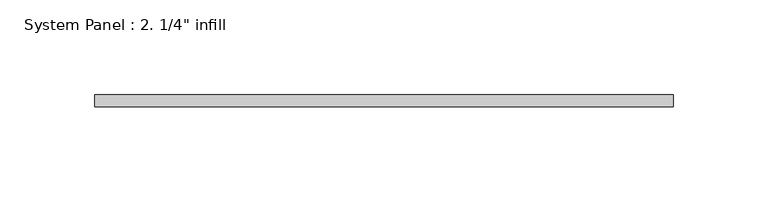
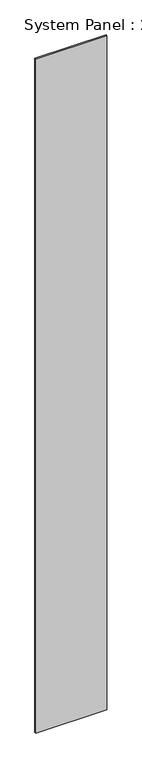
"""IFC4 building model written with IfcOpenShell, lengths in millimetres: plate geometry."""

from ifc_helpers import new_model, si_unit, origin, origin_with_axes, place, context, project, spatial, polyline, outline, extrude, source, transform, mapped, element, save


def plate_826f8766(model_context):
    return source(origin(), model_context, "Body", "SweptSolid", [
        extrude(outline(polyline([(152.4, -6.35), (-152.4, -6.35), (-152.4, 0.0), (152.4, 0.0), (152.4, -6.35)])), origin_with_axes(), (0.0, 0.0, 1.0), 3048.0),
    ])


if __name__ == "__main__":
    model = new_model("IFC4")
    model_context = context("Model", 3, world=origin())
    ifc_project = project(units=[si_unit("LENGTHUNIT", "METRE", prefix="MILLI")], contexts=[model_context])
    site = spatial("IfcSite", under=ifc_project)
    building = spatial("IfcBuilding", under=site)
    placement = place(None, origin())
    plate_shape = plate_826f8766(model_context)
    element("IfcPlate", 1, ObjectType="System Panel : 2. 1/4\" infill", at=placement, inside=building, context=model_context, shape_type="MappedRepresentation", body=[
        mapped(plate_shape, transform((0.0, 0.0, 0.0), x_axis=(1.0, 0.0, 0.0), y_axis=(0.0, 1.0, 0.0), z_axis=(0.0, 0.0, 1.0))),
    ])
    save(model, "model.ifc")
